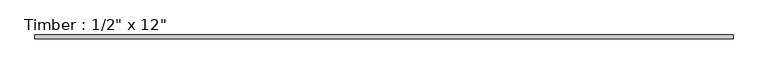
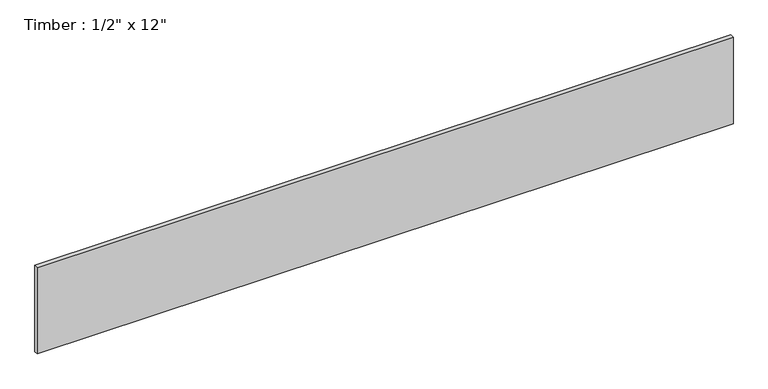
"""IFC4 building model written with IfcOpenShell, lengths in millimetres: beam geometry."""

from ifc_helpers import new_model, si_unit, frame, origin, place, context, project, spatial, polyline, outline, extrude, source, transform, mapped, element, save


def beam_2f3aceb1(model_context):
    return source(origin(), model_context, "Body", "SweptSolid", [
        extrude(outline(polyline([(1160.9985988, 6.35), (1160.9985988, -6.35), (-1160.9985988, -6.35), (-1160.9985988, 6.35), (1160.9985988, 6.35)])), frame((0.0, 0.0, -152.4), z_axis=(0.0, 0.0, 1.0), x_axis=(1.0, 0.0, 0.0)), (0.0, 0.0, 1.0), 304.8),
    ])


if __name__ == "__main__":
    model = new_model("IFC4")
    model_context = context("Model", 3, world=origin())
    ifc_project = project(units=[si_unit("LENGTHUNIT", "METRE", prefix="MILLI")], contexts=[model_context])
    site = spatial("IfcSite", under=ifc_project)
    building = spatial("IfcBuilding", under=site)
    placement = place(None, origin())
    beam_shape = beam_2f3aceb1(model_context)
    element("IfcBeam", 1, ObjectType="Timber : 1/2\" x 12\"", at=placement, inside=building, context=model_context, shape_type="MappedRepresentation", body=[
        mapped(beam_shape, transform((0.0, 0.0, 0.0), x_axis=(1.0, 0.0, 0.0), y_axis=(0.0, 1.0, 0.0), z_axis=(0.0, 0.0, 1.0))),
    ])
    save(model, "model.ifc")
